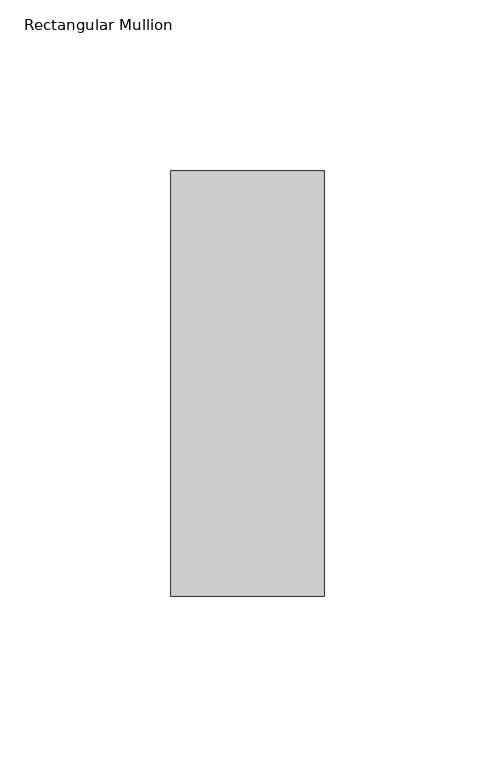
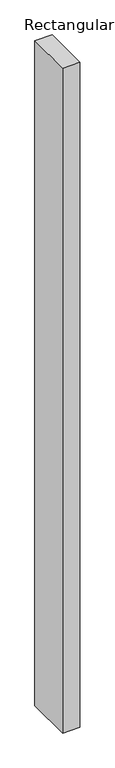
"""IFC4 building model written with IfcOpenShell, lengths in millimetres: member geometry, Rectangular Mullion."""

from ifc_helpers import new_model, si_unit, frame, origin, place, context, project, spatial, polyline, outline, extrude, source, transform, mapped, element, save


def rectangular_mullion_8322df06(model_context):
    return source(origin(), model_context, "Body", "SweptSolid", [
        extrude(outline(polyline([(-45.0, -77.84375), (-45.0, 46.84375), (0.0, 46.84375), (0.0, -77.84375), (-45.0, -77.84375)])), frame((0.0, 0.0, -1828.8), z_axis=(0.0, 0.0, 1.0), x_axis=(1.0, 0.0, 0.0)), (0.0, 0.0, 1.0), 1828.8),
    ])


if __name__ == "__main__":
    model = new_model("IFC4")
    model_context = context("Model", 3, world=origin())
    ifc_project = project(units=[si_unit("LENGTHUNIT", "METRE", prefix="MILLI")], contexts=[model_context])
    site = spatial("IfcSite", under=ifc_project)
    building = spatial("IfcBuilding", under=site)
    placement = place(None, origin())
    rectangular_mullion_shape = rectangular_mullion_8322df06(model_context)
    element("IfcMember", 1, ObjectType="Rectangular Mullion", at=placement, inside=building, context=model_context, shape_type="MappedRepresentation", body=[
        mapped(rectangular_mullion_shape, transform((0.0, 0.0, 0.0), x_axis=(1.0, 0.0, 0.0), y_axis=(0.0, 1.0, 0.0), z_axis=(0.0, 0.0, 1.0))),
    ])
    save(model, "model.ifc")
